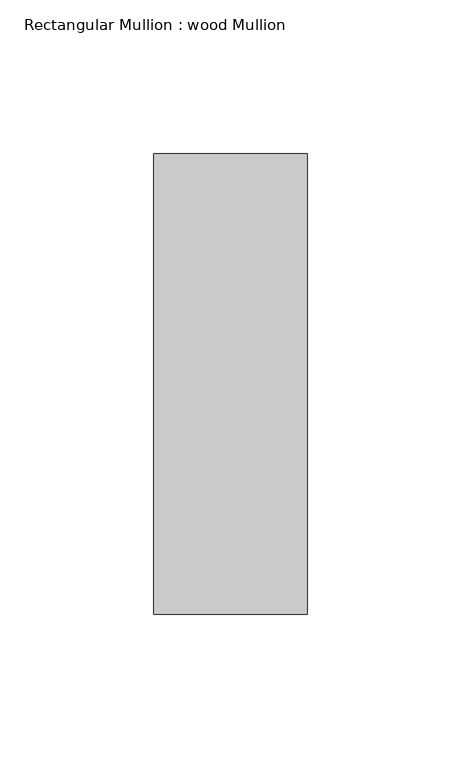
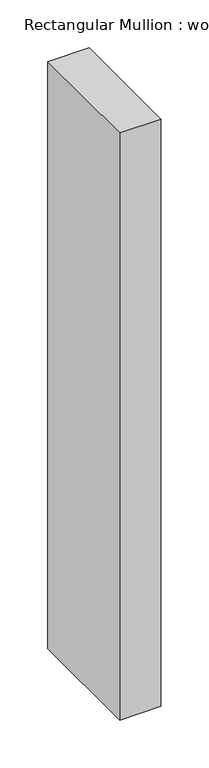
"""IFC4 building model written with IfcOpenShell, lengths in millimetres: member geometry, Rectangular Mullion : wood Mullion."""

from ifc_helpers import new_model, si_unit, frame, origin, place, context, project, spatial, polyline, outline, extrude, source, transform, mapped, element, save


def rectangular_mullion_wood_mullion_0d3281e4(model_context):
    return source(origin(), model_context, "Body", "SweptSolid", [
        extrude(outline(polyline([(0.0, 75.0), (0.0, -75.0), (-50.0, -75.0), (-50.0, 75.0), (0.0, 75.0)])), frame((0.0, 0.0, -750.0), z_axis=(0.0, 0.0, 1.0), x_axis=(1.0, 0.0, 0.0)), (0.0, 0.0, 1.0), 750.0),
    ])


if __name__ == "__main__":
    model = new_model("IFC4")
    model_context = context("Model", 3, world=origin())
    ifc_project = project(units=[si_unit("LENGTHUNIT", "METRE", prefix="MILLI")], contexts=[model_context])
    site = spatial("IfcSite", under=ifc_project)
    building = spatial("IfcBuilding", under=site)
    placement = place(None, origin())
    rectangular_mullion_wood_mullion_shape = rectangular_mullion_wood_mullion_0d3281e4(model_context)
    element("IfcMember", 1, ObjectType="Rectangular Mullion : wood Mullion", at=placement, inside=building, context=model_context, shape_type="MappedRepresentation", body=[
        mapped(rectangular_mullion_wood_mullion_shape, transform((0.0, 0.0, 0.0), x_axis=(1.0, 0.0, 0.0), y_axis=(0.0, 1.0, 0.0), z_axis=(0.0, 0.0, 1.0))),
    ])
    save(model, "model.ifc")
